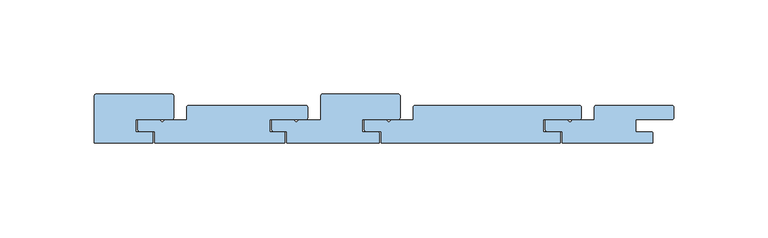
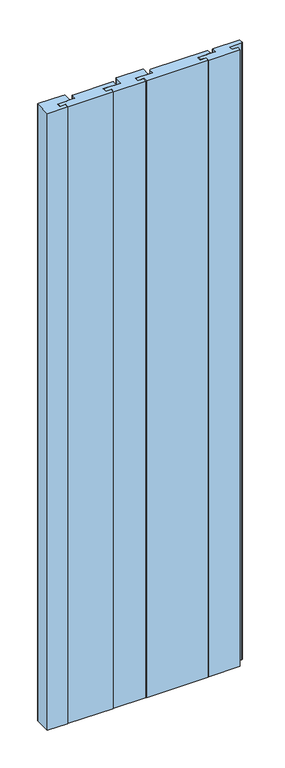
"""IFC4 building model written with IfcOpenShell, lengths in millimetres: window geometry."""

from ifc_helpers import new_model, si_unit, frame, origin, place, context, project, spatial, polyline, circle_curve, source, transform, mapped, element, save
from ifc_brep_helpers import plane_surface, cylinder_surface, revolved_surface, advanced_brep


def window_0822e667(model_context):
    return source(origin(), model_context, "Body", "AdvancedBrep", [
        advanced_brep(
        [(-338.0, 60.25, 100.0), (-339.0, 61.25, 100.0), (-339.0, 66.25, 100.0), (-327.7358303, 66.25, 100.0), (-326.8786704, 65.7465238, 100.0), (-325.1213296, 65.7465238, 100.0), (-324.2593234, 66.25, 100.0), (-313.0, 66.25, 100.0), (-313.0, 79.0000073, 100.0), (-311.9961892, 80.0, 100.0), (-272.0036459, 80.0, 100.0), (-271.0, 78.9818438, 100.0), (-271.0, 67.5, 100.0), (-272.0, 66.5, 100.0), (-291.0, 66.5, 100.0), (-291.0, 60.0, 100.0), (-283.0, 60.0, 100.0), (-282.0, 59.0, 100.0), (-282.0, 54.0, 100.0), (-331.0, 54.0, 100.0), (-331.0, 60.25, 100.0), (-338.0, 60.25, 1100.0), (-331.0, 60.25, 1100.0), (-331.0, 54.0, 1100.0), (-282.0, 54.0, 1100.0), (-282.0, 59.0, 1100.0), (-283.0, 60.0, 1100.0), (-291.0, 60.0, 1100.0), (-291.0, 66.5, 1100.0), (-272.0, 66.5, 1100.0), (-271.0, 67.5, 1100.0), (-271.0, 78.9818438, 1100.0), (-272.0036459, 80.0, 1100.0), (-311.9961892, 80.0, 1100.0), (-313.0, 79.0000073, 1100.0), (-313.0, 66.25, 1100.0), (-324.2593234, 66.25, 1100.0), (-325.1213296, 65.7465238, 1100.0), (-326.8786704, 65.7465238, 1100.0), (-327.7358303, 66.25, 1100.0), (-339.0, 66.25, 1100.0), (-339.0, 61.25, 1100.0)],
        [
            (0, 1, circle_curve(frame((-338.0, 61.25, 100.0), z_axis=(0.0, 0.0, -1.0), x_axis=(-1.0, 0.0, 0.0)), 1.0)),
            (1, 2),
            (2, 3),
            (3, 4, circle_curve(frame((-327.7467275, 65.2500594, 100.0), z_axis=(0.0, 0.0, -1.0), x_axis=(0.8680570812982431, 0.4964644031629814, 0.0)), 1.0)),
            (4, 5, circle_curve(frame((-326.0, 66.2239526, 100.0), z_axis=(0.0, 0.0, 1.0), x_axis=(0.878670405032909, -0.4774288630982668, 0.0)), 1.0)),
            (5, 6, circle_curve(frame((-324.2531214, 65.2497192, 100.0), z_axis=(0.0, 0.0, -1.0), x_axis=(-0.006200139387016843, 0.9999807789510665, 0.0)), 1.0003001)),
            (6, 7),
            (7, 8),
            (8, 9, circle_curve(frame((-312.0, 79.0000073, 100.0), z_axis=(0.0, 0.0, -1.0), x_axis=(0.0038108417907020734, 0.99999273871606, 0.0)), 1.0)),
            (9, 10),
            (10, 11, circle_curve(frame((-271.999835, 79.0000073, 100.0), z_axis=(0.0, 0.0, -1.0), x_axis=(0.9998350304118646, -0.018163478777638065, 0.0)), 1.0)),
            (11, 12),
            (12, 13, circle_curve(frame((-272.0, 67.5, 100.0), z_axis=(0.0, 0.0, -1.0), x_axis=(0.0, -1.0, 0.0)), 1.0)),
            (13, 14),
            (14, 15),
            (15, 16),
            (16, 17, circle_curve(frame((-283.0, 59.0, 100.0), z_axis=(0.0, 0.0, -1.0), x_axis=(1.0, 0.0, 0.0)), 1.0)),
            (17, 18),
            (18, 19),
            (19, 20),
            (20, 0),
            (21, 22),
            (22, 23),
            (23, 24),
            (24, 25),
            (25, 26, circle_curve(frame((-283.0, 59.0, 1100.0), z_axis=(0.0, 0.0, 1.0), x_axis=(1.0, 0.0, 0.0)), 1.0)),
            (26, 27),
            (27, 28),
            (28, 29),
            (29, 30, circle_curve(frame((-272.0, 67.5, 1100.0), z_axis=(0.0, 0.0, 1.0), x_axis=(0.0, -1.0, 0.0)), 1.0)),
            (30, 31),
            (31, 32, circle_curve(frame((-271.999835, 79.0000073, 1100.0), z_axis=(0.0, 0.0, 1.0), x_axis=(0.9998350304118646, -0.018163478777638065, 0.0)), 1.0)),
            (32, 33),
            (33, 34, circle_curve(frame((-312.0, 79.0000073, 1100.0), z_axis=(0.0, 0.0, 1.0), x_axis=(0.0038108417907020734, 0.99999273871606, 0.0)), 1.0)),
            (34, 35),
            (35, 36),
            (36, 37, circle_curve(frame((-324.2531214, 65.2497192, 1100.0), z_axis=(0.0, 0.0, 1.0), x_axis=(-0.006200139387016843, 0.9999807789510665, 0.0)), 1.0003001)),
            (37, 38, circle_curve(frame((-326.0, 66.2239526, 1100.0), z_axis=(0.0, 0.0, -1.0), x_axis=(0.878670405032909, -0.4774288630982668, 0.0)), 1.0)),
            (38, 39, circle_curve(frame((-327.7467275, 65.2500594, 1100.0), z_axis=(0.0, 0.0, 1.0), x_axis=(0.8680570812982431, 0.4964644031629814, 0.0)), 1.0)),
            (39, 40),
            (40, 41),
            (41, 21, circle_curve(frame((-338.0, 61.25, 1100.0), z_axis=(0.0, 0.0, 1.0), x_axis=(-1.0, 0.0, 0.0)), 1.0)),
            (0, 21),
            (41, 1),
            (40, 2),
            (39, 3),
            (38, 4),
            (37, 5),
            (36, 6),
            (35, 7),
            (34, 8),
            (33, 9),
            (32, 10),
            (31, 11),
            (30, 12),
            (29, 13),
            (28, 14),
            (27, 15),
            (26, 16),
            (25, 17),
            (24, 18),
            (23, 19),
            (22, 20),
        ],
        [
            plane_surface(frame((-434.0, 100.0, 100.0), z_axis=(0.0, 0.0, -1.0), x_axis=(1.0, 0.0, 0.0))),
            plane_surface(frame((-434.0, 100.0, 1100.0), z_axis=(0.0, 0.0, 1.0), x_axis=(1.0, 0.0, 0.0))),
            cylinder_surface(frame((-338.0, 61.25, 100.0), z_axis=(0.0, 0.0, -1.0), x_axis=(-1.0, 0.0, 0.0)), 1.0),
            plane_surface(frame((-339.0, 61.25, 100.0), z_axis=(-1.0, 0.0, 0.0), x_axis=(0.0, 0.0, 1.0))),
            plane_surface(frame((-339.0, 66.25, 100.0), z_axis=(0.0, 1.0, 0.0), x_axis=(0.0, 0.0, 1.0))),
            cylinder_surface(frame((-327.7467275, 65.2500594, 100.0), z_axis=(0.0, 0.0, -1.0), x_axis=(0.8680570812982431, 0.4964644031629814, 0.0)), 1.0),
            revolved_surface(polyline([(-325.1213295949671, 65.74652373690174, 1100.0000000000005), (-325.1213295949671, 65.74652373690174, 100.0)]), (-326.0, 66.2239526, 100.0), (0.0, 0.0, 1.0000000000000002)),
            cylinder_surface(frame((-324.2531214, 65.2497192, 100.0), z_axis=(0.0, 0.0, -1.0), x_axis=(-0.006200139387016843, 0.9999807789510665, 0.0)), 1.0003001),
            plane_surface(frame((-324.2593234, 66.25, 100.0), z_axis=(0.0, 1.0, 0.0), x_axis=(0.0, 0.0, 1.0))),
            plane_surface(frame((-313.0, 66.25, 100.0), z_axis=(-1.0, 0.0, 0.0), x_axis=(0.0, 0.0, 1.0))),
            cylinder_surface(frame((-312.0, 79.0000073, 100.0), z_axis=(0.0, 0.0, -1.0), x_axis=(0.0038108417907020734, 0.99999273871606, 0.0)), 1.0),
            plane_surface(frame((-311.9961892, 80.0, 100.0), z_axis=(0.0, 1.0, 0.0), x_axis=(0.0, 0.0, 1.0))),
            cylinder_surface(frame((-271.999835, 79.0000073, 100.0), z_axis=(0.0, 0.0, -1.0), x_axis=(0.9998350304118646, -0.018163478777638065, 0.0)), 1.0),
            plane_surface(frame((-271.0, 78.9818438, 100.0), z_axis=(1.0, 0.0, 0.0), x_axis=(0.0, 0.0, 1.0))),
            cylinder_surface(frame((-272.0, 67.5, 100.0), z_axis=(0.0, 0.0, -1.0), x_axis=(0.0, -1.0, 0.0)), 1.0),
            plane_surface(frame((-272.0, 66.5, 100.0), z_axis=(0.0, -1.0, 0.0), x_axis=(0.0, 0.0, 1.0))),
            plane_surface(frame((-291.0, 66.5, 100.0), z_axis=(1.0, 0.0, 0.0), x_axis=(0.0, 0.0, 1.0))),
            plane_surface(frame((-291.0, 60.0, 100.0), z_axis=(0.0, 1.0, 0.0), x_axis=(0.0, 0.0, 1.0))),
            cylinder_surface(frame((-283.0, 59.0, 100.0), z_axis=(0.0, 0.0, -1.0), x_axis=(1.0, 0.0, 0.0)), 1.0),
            plane_surface(frame((-282.0, 59.0, 100.0), z_axis=(1.0, 0.0, 0.0), x_axis=(0.0, 0.0, 1.0))),
            plane_surface(frame((-282.0, 54.0, 100.0), z_axis=(0.0, -1.0, 0.0), x_axis=(0.0, 0.0, 1.0))),
            plane_surface(frame((-331.0, 54.0, 100.0), z_axis=(-1.0, 0.0, 0.0), x_axis=(0.0, 0.0, 1.0))),
            plane_surface(frame((-331.0, 60.25, 100.0), z_axis=(0.0, -1.0, 0.0), x_axis=(0.0, 0.0, 1.0))),
        ],
        [
            (0, [[1, 2, 3, 4, 5, 6, 7, 8, 9, 10, 11, 12, 13, 14, 15, 16, 17, 18, 19, 20, 21]]),
            (1, [[22, 23, 24, 25, 26, 27, 28, 29, 30, 31, 32, 33, 34, 35, 36, 37, 38, 39, 40, 41, 42]]),
            (2, [[-1, 43, -42, 44]]),
            (3, [[-2, -44, -41, 45]]),
            (4, [[-3, -45, -40, 46]]),
            (5, [[-4, -46, -39, 47]]),
            (6, [[-5, -47, -38, 48]]),
            (7, [[-6, -48, -37, 49]]),
            (8, [[-7, -49, -36, 50]]),
            (9, [[-8, -50, -35, 51]]),
            (10, [[-9, -51, -34, 52]]),
            (11, [[-10, -52, -33, 53]]),
            (12, [[-11, -53, -32, 54]]),
            (13, [[-12, -54, -31, 55]]),
            (14, [[-13, -55, -30, 56]]),
            (15, [[-14, -56, -29, 57]]),
            (16, [[-15, -57, -28, 58]]),
            (17, [[-16, -58, -27, 59]]),
            (18, [[-17, -59, -26, 60]]),
            (19, [[-18, -60, -25, 61]]),
            (20, [[-19, -61, -24, 62]]),
            (21, [[-20, -62, -23, 63]]),
            (22, [[-21, -63, -22, -43]]),
        ],
    ),
        advanced_brep(
        [(-289.0, 60.25, 100.0), (-290.0, 61.25, 100.0), (-290.0, 66.25, 100.0), (-278.7358303, 66.25, 100.0), (-277.8786704, 65.7465238, 100.0), (-276.1213296, 65.7465238, 100.0), (-275.2593234, 66.25, 100.0), (-264.0, 66.25, 100.0), (-264.0, 73.0000073, 100.0), (-262.9961892, 74.0, 100.0), (-176.0036459, 74.0, 100.0), (-175.0, 72.9818438, 100.0), (-175.0, 67.5, 100.0), (-176.0, 66.5, 100.0), (-195.0, 66.5, 100.0), (-195.0, 60.0, 100.0), (-187.0, 60.0, 100.0), (-186.0, 59.0, 100.0), (-186.0, 54.0, 100.0), (-281.0, 54.0, 100.0), (-281.0, 60.25, 100.0), (-289.0, 60.25, 1100.0), (-281.0, 60.25, 1100.0), (-281.0, 54.0, 1100.0), (-186.0, 54.0, 1100.0), (-186.0, 59.0, 1100.0), (-187.0, 60.0, 1100.0), (-195.0, 60.0, 1100.0), (-195.0, 66.5, 1100.0), (-176.0, 66.5, 1100.0), (-175.0, 67.5, 1100.0), (-175.0, 72.9818438, 1100.0), (-176.0036459, 74.0, 1100.0), (-262.9961892, 74.0, 1100.0), (-264.0, 73.0000073, 1100.0), (-264.0, 66.25, 1100.0), (-275.2593234, 66.25, 1100.0), (-276.1213296, 65.7465238, 1100.0), (-277.8786704, 65.7465238, 1100.0), (-278.7358303, 66.25, 1100.0), (-290.0, 66.25, 1100.0), (-290.0, 61.25, 1100.0)],
        [
            (0, 1, circle_curve(frame((-289.0, 61.25, 100.0), z_axis=(0.0, 0.0, -1.0), x_axis=(-1.0, 0.0, 0.0)), 1.0)),
            (1, 2),
            (2, 3),
            (3, 4, circle_curve(frame((-278.7467275, 65.2500594, 100.0), z_axis=(0.0, 0.0, -1.0), x_axis=(0.8680570812982431, 0.4964644031629814, 0.0)), 1.0)),
            (4, 5, circle_curve(frame((-277.0, 66.2239526, 100.0), z_axis=(0.0, 0.0, 1.0), x_axis=(0.878670405032909, -0.4774288630982668, 0.0)), 1.0)),
            (5, 6, circle_curve(frame((-275.2531214, 65.2497192, 100.0), z_axis=(0.0, 0.0, -1.0), x_axis=(-0.006200139387016843, 0.9999807789510665, 0.0)), 1.0003001)),
            (6, 7),
            (7, 8),
            (8, 9, circle_curve(frame((-263.0, 73.0000073, 100.0), z_axis=(0.0, 0.0, -1.0), x_axis=(0.0038108417907020734, 0.99999273871606, 0.0)), 1.0)),
            (9, 10),
            (10, 11, circle_curve(frame((-175.999835, 73.0000073, 100.0), z_axis=(0.0, 0.0, -1.0), x_axis=(0.9998350304118646, -0.018163478777638065, 0.0)), 1.0)),
            (11, 12),
            (12, 13, circle_curve(frame((-176.0, 67.5, 100.0), z_axis=(0.0, 0.0, -1.0), x_axis=(0.0, -1.0, 0.0)), 1.0)),
            (13, 14),
            (14, 15),
            (15, 16),
            (16, 17, circle_curve(frame((-187.0, 59.0, 100.0), z_axis=(0.0, 0.0, -1.0), x_axis=(1.0, 0.0, 0.0)), 1.0)),
            (17, 18),
            (18, 19),
            (19, 20),
            (20, 0),
            (21, 22),
            (22, 23),
            (23, 24),
            (24, 25),
            (25, 26, circle_curve(frame((-187.0, 59.0, 1100.0), z_axis=(0.0, 0.0, 1.0), x_axis=(1.0, 0.0, 0.0)), 1.0)),
            (26, 27),
            (27, 28),
            (28, 29),
            (29, 30, circle_curve(frame((-176.0, 67.5, 1100.0), z_axis=(0.0, 0.0, 1.0), x_axis=(0.0, -1.0, 0.0)), 1.0)),
            (30, 31),
            (31, 32, circle_curve(frame((-175.999835, 73.0000073, 1100.0), z_axis=(0.0, 0.0, 1.0), x_axis=(0.9998350304118646, -0.018163478777638065, 0.0)), 1.0)),
            (32, 33),
            (33, 34, circle_curve(frame((-263.0, 73.0000073, 1100.0), z_axis=(0.0, 0.0, 1.0), x_axis=(0.0038108417907020734, 0.99999273871606, 0.0)), 1.0)),
            (34, 35),
            (35, 36),
            (36, 37, circle_curve(frame((-275.2531214, 65.2497192, 1100.0), z_axis=(0.0, 0.0, 1.0), x_axis=(-0.006200139387016843, 0.9999807789510665, 0.0)), 1.0003001)),
            (37, 38, circle_curve(frame((-277.0, 66.2239526, 1100.0), z_axis=(0.0, 0.0, -1.0), x_axis=(0.878670405032909, -0.4774288630982668, 0.0)), 1.0)),
            (38, 39, circle_curve(frame((-278.7467275, 65.2500594, 1100.0), z_axis=(0.0, 0.0, 1.0), x_axis=(0.8680570812982431, 0.4964644031629814, 0.0)), 1.0)),
            (39, 40),
            (40, 41),
            (41, 21, circle_curve(frame((-289.0, 61.25, 1100.0), z_axis=(0.0, 0.0, 1.0), x_axis=(-1.0, 0.0, 0.0)), 1.0)),
            (0, 21),
            (41, 1),
            (40, 2),
            (39, 3),
            (38, 4),
            (37, 5),
            (36, 6),
            (35, 7),
            (34, 8),
            (33, 9),
            (32, 10),
            (31, 11),
            (30, 12),
            (29, 13),
            (28, 14),
            (27, 15),
            (26, 16),
            (25, 17),
            (24, 18),
            (23, 19),
            (22, 20),
        ],
        [
            plane_surface(frame((-434.0, 100.0, 100.0), z_axis=(0.0, 0.0, -1.0), x_axis=(1.0, 0.0, 0.0))),
            plane_surface(frame((-434.0, 100.0, 1100.0), z_axis=(0.0, 0.0, 1.0), x_axis=(1.0, 0.0, 0.0))),
            cylinder_surface(frame((-289.0, 61.25, 100.0), z_axis=(0.0, 0.0, -1.0), x_axis=(-1.0, 0.0, 0.0)), 1.0),
            plane_surface(frame((-290.0, 61.25, 100.0), z_axis=(-1.0, 0.0, 0.0), x_axis=(0.0, 0.0, 1.0))),
            plane_surface(frame((-290.0, 66.25, 100.0), z_axis=(0.0, 1.0, 0.0), x_axis=(0.0, 0.0, 1.0))),
            cylinder_surface(frame((-278.7467275, 65.2500594, 100.0), z_axis=(0.0, 0.0, -1.0), x_axis=(0.8680570812982431, 0.4964644031629814, 0.0)), 1.0),
            revolved_surface(polyline([(-276.1213295949671, 65.74652373690174, 1100.0000000000005), (-276.1213295949671, 65.74652373690174, 100.0)]), (-277.0, 66.2239526, 100.0), (0.0, 0.0, 1.0000000000000002)),
            cylinder_surface(frame((-275.2531214, 65.2497192, 100.0), z_axis=(0.0, 0.0, -1.0), x_axis=(-0.006200139387016843, 0.9999807789510665, 0.0)), 1.0003001),
            plane_surface(frame((-275.2593234, 66.25, 100.0), z_axis=(0.0, 1.0, 0.0), x_axis=(0.0, 0.0, 1.0))),
            plane_surface(frame((-264.0, 66.25, 100.0), z_axis=(-1.0, 0.0, 0.0), x_axis=(0.0, 0.0, 1.0))),
            cylinder_surface(frame((-263.0, 73.0000073, 100.0), z_axis=(0.0, 0.0, -1.0), x_axis=(0.0038108417907020734, 0.99999273871606, 0.0)), 1.0),
            plane_surface(frame((-262.9961892, 74.0, 100.0), z_axis=(0.0, 1.0, 0.0), x_axis=(0.0, 0.0, 1.0))),
            cylinder_surface(frame((-175.999835, 73.0000073, 100.0), z_axis=(0.0, 0.0, -1.0), x_axis=(0.9998350304118646, -0.018163478777638065, 0.0)), 1.0),
            plane_surface(frame((-175.0, 72.9818438, 100.0), z_axis=(1.0, 0.0, 0.0), x_axis=(0.0, 0.0, 1.0))),
            cylinder_surface(frame((-176.0, 67.5, 100.0), z_axis=(0.0, 0.0, -1.0), x_axis=(0.0, -1.0, 0.0)), 1.0),
            plane_surface(frame((-176.0, 66.5, 100.0), z_axis=(0.0, -1.0, 0.0), x_axis=(0.0, 0.0, 1.0))),
            plane_surface(frame((-195.0, 66.5, 100.0), z_axis=(1.0, 0.0, 0.0), x_axis=(0.0, 0.0, 1.0))),
            plane_surface(frame((-195.0, 60.0, 100.0), z_axis=(0.0, 1.0, 0.0), x_axis=(0.0, 0.0, 1.0))),
            cylinder_surface(frame((-187.0, 59.0, 100.0), z_axis=(0.0, 0.0, -1.0), x_axis=(1.0, 0.0, 0.0)), 1.0),
            plane_surface(frame((-186.0, 59.0, 100.0), z_axis=(1.0, 0.0, 0.0), x_axis=(0.0, 0.0, 1.0))),
            plane_surface(frame((-186.0, 54.0, 100.0), z_axis=(0.0, -1.0, 0.0), x_axis=(0.0, 0.0, 1.0))),
            plane_surface(frame((-281.0, 54.0, 100.0), z_axis=(-1.0, 0.0, 0.0), x_axis=(0.0, 0.0, 1.0))),
            plane_surface(frame((-281.0, 60.25, 100.0), z_axis=(0.0, -1.0, 0.0), x_axis=(0.0, 0.0, 1.0))),
        ],
        [
            (0, [[1, 2, 3, 4, 5, 6, 7, 8, 9, 10, 11, 12, 13, 14, 15, 16, 17, 18, 19, 20, 21]]),
            (1, [[22, 23, 24, 25, 26, 27, 28, 29, 30, 31, 32, 33, 34, 35, 36, 37, 38, 39, 40, 41, 42]]),
            (2, [[-1, 43, -42, 44]]),
            (3, [[-2, -44, -41, 45]]),
            (4, [[-3, -45, -40, 46]]),
            (5, [[-4, -46, -39, 47]]),
            (6, [[-5, -47, -38, 48]]),
            (7, [[-6, -48, -37, 49]]),
            (8, [[-7, -49, -36, 50]]),
            (9, [[-8, -50, -35, 51]]),
            (10, [[-9, -51, -34, 52]]),
            (11, [[-10, -52, -33, 53]]),
            (12, [[-11, -53, -32, 54]]),
            (13, [[-12, -54, -31, 55]]),
            (14, [[-13, -55, -30, 56]]),
            (15, [[-14, -56, -29, 57]]),
            (16, [[-15, -57, -28, 58]]),
            (17, [[-16, -58, -27, 59]]),
            (18, [[-17, -59, -26, 60]]),
            (19, [[-18, -60, -25, 61]]),
            (20, [[-19, -61, -24, 62]]),
            (21, [[-20, -62, -23, 63]]),
            (22, [[-21, -63, -22, -43]]),
        ],
    ),
        advanced_brep(
        [(-193.0, 60.25, 100.0), (-194.0, 61.25, 100.0), (-194.0, 66.25, 100.0), (-182.7358303, 66.25, 100.0), (-181.8786704, 65.7465238, 100.0), (-180.1213296, 65.7465238, 100.0), (-179.2593234, 66.25, 100.0), (-168.0, 66.25, 100.0), (-168.0, 73.0000073, 100.0), (-166.9961892, 74.0, 100.0), (-127.0036459, 74.0, 100.0), (-126.0, 72.9818438, 100.0), (-126.0, 67.5, 100.0), (-127.0, 66.5, 100.0), (-146.0, 66.5, 100.0), (-146.0, 60.0, 100.0), (-138.0, 60.0, 100.0), (-137.0, 59.0, 100.0), (-137.0, 54.0, 100.0), (-185.0, 54.0, 100.0), (-185.0, 60.25, 100.0), (-193.0, 60.25, 1100.0), (-185.0, 60.25, 1100.0), (-185.0, 54.0, 1100.0), (-137.0, 54.0, 1100.0), (-137.0, 59.0, 1100.0), (-138.0, 60.0, 1100.0), (-146.0, 60.0, 1100.0), (-146.0, 66.5, 1100.0), (-127.0, 66.5, 1100.0), (-126.0, 67.5, 1100.0), (-126.0, 72.9818438, 1100.0), (-127.0036459, 74.0, 1100.0), (-166.9961892, 74.0, 1100.0), (-168.0, 73.0000073, 1100.0), (-168.0, 66.25, 1100.0), (-179.2593234, 66.25, 1100.0), (-180.1213296, 65.7465238, 1100.0), (-181.8786704, 65.7465238, 1100.0), (-182.7358303, 66.25, 1100.0), (-194.0, 66.25, 1100.0), (-194.0, 61.25, 1100.0)],
        [
            (0, 1, circle_curve(frame((-193.0, 61.25, 100.0), z_axis=(0.0, 0.0, -1.0), x_axis=(-1.0, 0.0, 0.0)), 1.0)),
            (1, 2),
            (2, 3),
            (3, 4, circle_curve(frame((-182.7467275, 65.2500594, 100.0), z_axis=(0.0, 0.0, -1.0), x_axis=(0.8680570812982431, 0.4964644031629814, 0.0)), 1.0)),
            (4, 5, circle_curve(frame((-181.0, 66.2239526, 100.0), z_axis=(0.0, 0.0, 1.0), x_axis=(0.878670405032909, -0.4774288630982668, 0.0)), 1.0)),
            (5, 6, circle_curve(frame((-179.2531214, 65.2497192, 100.0), z_axis=(0.0, 0.0, -1.0), x_axis=(-0.006200139387016843, 0.9999807789510665, 0.0)), 1.0003001)),
            (6, 7),
            (7, 8),
            (8, 9, circle_curve(frame((-167.0, 73.0000073, 100.0), z_axis=(0.0, 0.0, -1.0), x_axis=(0.0038108417907020734, 0.99999273871606, 0.0)), 1.0)),
            (9, 10),
            (10, 11, circle_curve(frame((-126.999835, 73.0000073, 100.0), z_axis=(0.0, 0.0, -1.0), x_axis=(0.9998350304118646, -0.018163478777638065, 0.0)), 1.0)),
            (11, 12),
            (12, 13, circle_curve(frame((-127.0, 67.5, 100.0), z_axis=(0.0, 0.0, -1.0), x_axis=(0.0, -1.0, 0.0)), 1.0)),
            (13, 14),
            (14, 15),
            (15, 16),
            (16, 17, circle_curve(frame((-138.0, 59.0, 100.0), z_axis=(0.0, 0.0, -1.0), x_axis=(1.0, 0.0, 0.0)), 1.0)),
            (17, 18),
            (18, 19),
            (19, 20),
            (20, 0),
            (21, 22),
            (22, 23),
            (23, 24),
            (24, 25),
            (25, 26, circle_curve(frame((-138.0, 59.0, 1100.0), z_axis=(0.0, 0.0, 1.0), x_axis=(1.0, 0.0, 0.0)), 1.0)),
            (26, 27),
            (27, 28),
            (28, 29),
            (29, 30, circle_curve(frame((-127.0, 67.5, 1100.0), z_axis=(0.0, 0.0, 1.0), x_axis=(0.0, -1.0, 0.0)), 1.0)),
            (30, 31),
            (31, 32, circle_curve(frame((-126.999835, 73.0000073, 1100.0), z_axis=(0.0, 0.0, 1.0), x_axis=(0.9998350304118646, -0.018163478777638065, 0.0)), 1.0)),
            (32, 33),
            (33, 34, circle_curve(frame((-167.0, 73.0000073, 1100.0), z_axis=(0.0, 0.0, 1.0), x_axis=(0.0038108417907020734, 0.99999273871606, 0.0)), 1.0)),
            (34, 35),
            (35, 36),
            (36, 37, circle_curve(frame((-179.2531214, 65.2497192, 1100.0), z_axis=(0.0, 0.0, 1.0), x_axis=(-0.006200139387016843, 0.9999807789510665, 0.0)), 1.0003001)),
            (37, 38, circle_curve(frame((-181.0, 66.2239526, 1100.0), z_axis=(0.0, 0.0, -1.0), x_axis=(0.878670405032909, -0.4774288630982668, 0.0)), 1.0)),
            (38, 39, circle_curve(frame((-182.7467275, 65.2500594, 1100.0), z_axis=(0.0, 0.0, 1.0), x_axis=(0.8680570812982431, 0.4964644031629814, 0.0)), 1.0)),
            (39, 40),
            (40, 41),
            (41, 21, circle_curve(frame((-193.0, 61.25, 1100.0), z_axis=(0.0, 0.0, 1.0), x_axis=(-1.0, 0.0, 0.0)), 1.0)),
            (0, 21),
            (41, 1),
            (40, 2),
            (39, 3),
            (38, 4),
            (37, 5),
            (36, 6),
            (35, 7),
            (34, 8),
            (33, 9),
            (32, 10),
            (31, 11),
            (30, 12),
            (29, 13),
            (28, 14),
            (27, 15),
            (26, 16),
            (25, 17),
            (24, 18),
            (23, 19),
            (22, 20),
        ],
        [
            plane_surface(frame((-434.0, 100.0, 100.0), z_axis=(0.0, 0.0, -1.0), x_axis=(1.0, 0.0, 0.0))),
            plane_surface(frame((-434.0, 100.0, 1100.0), z_axis=(0.0, 0.0, 1.0), x_axis=(1.0, 0.0, 0.0))),
            cylinder_surface(frame((-193.0, 61.25, 100.0), z_axis=(0.0, 0.0, -1.0), x_axis=(-1.0, 0.0, 0.0)), 1.0),
            plane_surface(frame((-194.0, 61.25, 100.0), z_axis=(-1.0, 0.0, 0.0), x_axis=(0.0, 0.0, 1.0))),
            plane_surface(frame((-194.0, 66.25, 100.0), z_axis=(0.0, 1.0, 0.0), x_axis=(0.0, 0.0, 1.0))),
            cylinder_surface(frame((-182.7467275, 65.2500594, 100.0), z_axis=(0.0, 0.0, -1.0), x_axis=(0.8680570812982431, 0.4964644031629814, 0.0)), 1.0),
            revolved_surface(polyline([(-180.12132959496708, 65.74652373690174, 1100.0000000000005), (-180.12132959496708, 65.74652373690174, 100.0)]), (-181.0, 66.2239526, 100.0), (0.0, 0.0, 1.0000000000000002)),
            cylinder_surface(frame((-179.2531214, 65.2497192, 100.0), z_axis=(0.0, 0.0, -1.0), x_axis=(-0.006200139387016843, 0.9999807789510665, 0.0)), 1.0003001),
            plane_surface(frame((-179.2593234, 66.25, 100.0), z_axis=(0.0, 1.0, 0.0), x_axis=(0.0, 0.0, 1.0))),
            plane_surface(frame((-168.0, 66.25, 100.0), z_axis=(-1.0, 0.0, 0.0), x_axis=(0.0, 0.0, 1.0))),
            cylinder_surface(frame((-167.0, 73.0000073, 100.0), z_axis=(0.0, 0.0, -1.0), x_axis=(0.0038108417907020734, 0.99999273871606, 0.0)), 1.0),
            plane_surface(frame((-166.9961892, 74.0, 100.0), z_axis=(0.0, 1.0, 0.0), x_axis=(0.0, 0.0, 1.0))),
            cylinder_surface(frame((-126.999835, 73.0000073, 100.0), z_axis=(0.0, 0.0, -1.0), x_axis=(0.9998350304118646, -0.018163478777638065, 0.0)), 1.0),
            plane_surface(frame((-126.0, 72.9818438, 100.0), z_axis=(1.0, 0.0, 0.0), x_axis=(0.0, 0.0, 1.0))),
            cylinder_surface(frame((-127.0, 67.5, 100.0), z_axis=(0.0, 0.0, -1.0), x_axis=(0.0, -1.0, 0.0)), 1.0),
            plane_surface(frame((-127.0, 66.5, 100.0), z_axis=(0.0, -1.0, 0.0), x_axis=(0.0, 0.0, 1.0))),
            plane_surface(frame((-146.0, 66.5, 100.0), z_axis=(1.0, 0.0, 0.0), x_axis=(0.0, 0.0, 1.0))),
            plane_surface(frame((-146.0, 60.0, 100.0), z_axis=(0.0, 1.0, 0.0), x_axis=(0.0, 0.0, 1.0))),
            cylinder_surface(frame((-138.0, 59.0, 100.0), z_axis=(0.0, 0.0, -1.0), x_axis=(1.0, 0.0, 0.0)), 1.0),
            plane_surface(frame((-137.0, 59.0, 100.0), z_axis=(1.0, 0.0, 0.0), x_axis=(0.0, 0.0, 1.0))),
            plane_surface(frame((-137.0, 54.0, 100.0), z_axis=(0.0, -1.0, 0.0), x_axis=(0.0, 0.0, 1.0))),
            plane_surface(frame((-185.0, 54.0, 100.0), z_axis=(-1.0, 0.0, 0.0), x_axis=(0.0, 0.0, 1.0))),
            plane_surface(frame((-185.0, 60.25, 100.0), z_axis=(0.0, -1.0, 0.0), x_axis=(0.0, 0.0, 1.0))),
        ],
        [
            (0, [[1, 2, 3, 4, 5, 6, 7, 8, 9, 10, 11, 12, 13, 14, 15, 16, 17, 18, 19, 20, 21]]),
            (1, [[22, 23, 24, 25, 26, 27, 28, 29, 30, 31, 32, 33, 34, 35, 36, 37, 38, 39, 40, 41, 42]]),
            (2, [[-1, 43, -42, 44]]),
            (3, [[-2, -44, -41, 45]]),
            (4, [[-3, -45, -40, 46]]),
            (5, [[-4, -46, -39, 47]]),
            (6, [[-5, -47, -38, 48]]),
            (7, [[-6, -48, -37, 49]]),
            (8, [[-7, -49, -36, 50]]),
            (9, [[-8, -50, -35, 51]]),
            (10, [[-9, -51, -34, 52]]),
            (11, [[-10, -52, -33, 53]]),
            (12, [[-11, -53, -32, 54]]),
            (13, [[-12, -54, -31, 55]]),
            (14, [[-13, -55, -30, 56]]),
            (15, [[-14, -56, -29, 57]]),
            (16, [[-15, -57, -28, 58]]),
            (17, [[-16, -58, -27, 59]]),
            (18, [[-17, -59, -26, 60]]),
            (19, [[-18, -60, -25, 61]]),
            (20, [[-19, -61, -24, 62]]),
            (21, [[-20, -62, -23, 63]]),
            (22, [[-21, -63, -22, -43]]),
        ],
    ),
        advanced_brep(
        [(-409.0, 60.25, 100.0), (-410.0, 61.25, 100.0), (-410.0, 66.25, 100.0), (-398.7358303, 66.25, 100.0), (-397.8786704, 65.7465238, 100.0), (-396.1213296, 65.7465238, 100.0), (-395.2593234, 66.25, 100.0), (-384.0, 66.25, 100.0), (-384.0, 73.0000073, 100.0), (-382.9961892, 74.0, 100.0), (-321.0036459, 74.0, 100.0), (-320.0, 72.9818438, 100.0), (-320.0, 67.5, 100.0), (-321.0, 66.5, 100.0), (-340.0, 66.5, 100.0), (-340.0, 60.0, 100.0), (-333.0, 60.0, 100.0), (-332.0, 59.0, 100.0), (-332.0, 54.0, 100.0), (-401.0, 54.0, 100.0), (-401.0, 60.25, 100.0), (-409.0, 60.25, 1100.0), (-401.0, 60.25, 1100.0), (-401.0, 54.0, 1100.0), (-332.0, 54.0, 1100.0), (-332.0, 59.0, 1100.0), (-333.0, 60.0, 1100.0), (-340.0, 60.0, 1100.0), (-340.0, 66.5, 1100.0), (-321.0, 66.5, 1100.0), (-320.0, 67.5, 1100.0), (-320.0, 72.9818438, 1100.0), (-321.0036459, 74.0, 1100.0), (-382.9961892, 74.0, 1100.0), (-384.0, 73.0000073, 1100.0), (-384.0, 66.25, 1100.0), (-395.2593234, 66.25, 1100.0), (-396.1213296, 65.7465238, 1100.0), (-397.8786704, 65.7465238, 1100.0), (-398.7358303, 66.25, 1100.0), (-410.0, 66.25, 1100.0), (-410.0, 61.25, 1100.0)],
        [
            (0, 1, circle_curve(frame((-409.0, 61.25, 100.0), z_axis=(0.0, 0.0, -1.0), x_axis=(-1.0, 0.0, 0.0)), 1.0)),
            (1, 2),
            (2, 3),
            (3, 4, circle_curve(frame((-398.7467275, 65.2500594, 100.0), z_axis=(0.0, 0.0, -1.0), x_axis=(0.8680570812982431, 0.4964644031629814, 0.0)), 1.0)),
            (4, 5, circle_curve(frame((-397.0, 66.2239526, 100.0), z_axis=(0.0, 0.0, 1.0), x_axis=(0.878670405032909, -0.4774288630982668, 0.0)), 1.0)),
            (5, 6, circle_curve(frame((-395.2531214, 65.2497192, 100.0), z_axis=(0.0, 0.0, -1.0), x_axis=(-0.006200139387016843, 0.9999807789510665, 0.0)), 1.0003001)),
            (6, 7),
            (7, 8),
            (8, 9, circle_curve(frame((-383.0, 73.0000073, 100.0), z_axis=(0.0, 0.0, -1.0), x_axis=(0.0038108417907020734, 0.99999273871606, 0.0)), 1.0)),
            (9, 10),
            (10, 11, circle_curve(frame((-320.999835, 73.0000073, 100.0), z_axis=(0.0, 0.0, -1.0), x_axis=(0.9998350304118646, -0.018163478777638065, 0.0)), 1.0)),
            (11, 12),
            (12, 13, circle_curve(frame((-321.0, 67.5, 100.0), z_axis=(0.0, 0.0, -1.0), x_axis=(0.0, -1.0, 0.0)), 1.0)),
            (13, 14),
            (14, 15),
            (15, 16),
            (16, 17, circle_curve(frame((-333.0, 59.0, 100.0), z_axis=(0.0, 0.0, -1.0), x_axis=(1.0, 0.0, 0.0)), 1.0)),
            (17, 18),
            (18, 19),
            (19, 20),
            (20, 0),
            (21, 22),
            (22, 23),
            (23, 24),
            (24, 25),
            (25, 26, circle_curve(frame((-333.0, 59.0, 1100.0), z_axis=(0.0, 0.0, 1.0), x_axis=(1.0, 0.0, 0.0)), 1.0)),
            (26, 27),
            (27, 28),
            (28, 29),
            (29, 30, circle_curve(frame((-321.0, 67.5, 1100.0), z_axis=(0.0, 0.0, 1.0), x_axis=(0.0, -1.0, 0.0)), 1.0)),
            (30, 31),
            (31, 32, circle_curve(frame((-320.999835, 73.0000073, 1100.0), z_axis=(0.0, 0.0, 1.0), x_axis=(0.9998350304118646, -0.018163478777638065, 0.0)), 1.0)),
            (32, 33),
            (33, 34, circle_curve(frame((-383.0, 73.0000073, 1100.0), z_axis=(0.0, 0.0, 1.0), x_axis=(0.0038108417907020734, 0.99999273871606, 0.0)), 1.0)),
            (34, 35),
            (35, 36),
            (36, 37, circle_curve(frame((-395.2531214, 65.2497192, 1100.0), z_axis=(0.0, 0.0, 1.0), x_axis=(-0.006200139387016843, 0.9999807789510665, 0.0)), 1.0003001)),
            (37, 38, circle_curve(frame((-397.0, 66.2239526, 1100.0), z_axis=(0.0, 0.0, -1.0), x_axis=(0.878670405032909, -0.4774288630982668, 0.0)), 1.0)),
            (38, 39, circle_curve(frame((-398.7467275, 65.2500594, 1100.0), z_axis=(0.0, 0.0, 1.0), x_axis=(0.8680570812982431, 0.4964644031629814, 0.0)), 1.0)),
            (39, 40),
            (40, 41),
            (41, 21, circle_curve(frame((-409.0, 61.25, 1100.0), z_axis=(0.0, 0.0, 1.0), x_axis=(-1.0, 0.0, 0.0)), 1.0)),
            (6, 36),
            (35, 7),
            (34, 8),
            (33, 9),
            (32, 10),
            (31, 11),
            (30, 12),
            (29, 13),
            (28, 14),
            (27, 15),
            (26, 16),
            (25, 17),
            (24, 18),
            (23, 19),
            (0, 21),
            (41, 1),
            (40, 2),
            (39, 3),
            (38, 4),
            (37, 5),
            (22, 20),
        ],
        [
            plane_surface(frame((-434.0, 100.0, 100.0), z_axis=(0.0, 0.0, -1.0), x_axis=(1.0, 0.0, 0.0))),
            plane_surface(frame((-434.0, 100.0, 1100.0), z_axis=(0.0, 0.0, 1.0), x_axis=(1.0, 0.0, 0.0))),
            plane_surface(frame((-395.2593234, 66.25, 100.0), z_axis=(0.0, 1.0, 0.0), x_axis=(0.0, 0.0, 1.0))),
            plane_surface(frame((-384.0, 66.25, 100.0), z_axis=(-1.0, 0.0, 0.0), x_axis=(0.0, 0.0, 1.0))),
            cylinder_surface(frame((-383.0, 73.0000073, 100.0), z_axis=(0.0, 0.0, -1.0), x_axis=(0.0038108417907020734, 0.99999273871606, 0.0)), 1.0),
            plane_surface(frame((-382.9961892, 74.0, 100.0), z_axis=(0.0, 1.0, 0.0), x_axis=(0.0, 0.0, 1.0))),
            cylinder_surface(frame((-320.999835, 73.0000073, 100.0), z_axis=(0.0, 0.0, -1.0), x_axis=(0.9998350304118646, -0.018163478777638065, 0.0)), 1.0),
            plane_surface(frame((-320.0, 72.9818438, 100.0), z_axis=(1.0, 0.0, 0.0), x_axis=(0.0, 0.0, 1.0))),
            cylinder_surface(frame((-321.0, 67.5, 100.0), z_axis=(0.0, 0.0, -1.0), x_axis=(0.0, -1.0, 0.0)), 1.0),
            plane_surface(frame((-321.0, 66.5, 100.0), z_axis=(0.0, -1.0, 0.0), x_axis=(0.0, 0.0, 1.0))),
            plane_surface(frame((-340.0, 66.5, 100.0), z_axis=(1.0, 0.0, 0.0), x_axis=(0.0, 0.0, 1.0))),
            plane_surface(frame((-340.0, 60.0, 100.0), z_axis=(0.0, 1.0, 0.0), x_axis=(0.0, 0.0, 1.0))),
            cylinder_surface(frame((-333.0, 59.0, 100.0), z_axis=(0.0, 0.0, -1.0), x_axis=(1.0, 0.0, 0.0)), 1.0),
            plane_surface(frame((-332.0, 59.0, 100.0), z_axis=(1.0, 0.0, 0.0), x_axis=(0.0, 0.0, 1.0))),
            plane_surface(frame((-332.0, 54.0, 100.0), z_axis=(0.0, -1.0, 0.0), x_axis=(0.0, 0.0, 1.0))),
            cylinder_surface(frame((-409.0, 61.25, 100.0), z_axis=(0.0, 0.0, -1.0), x_axis=(-1.0, 0.0, 0.0)), 1.0),
            plane_surface(frame((-410.0, 61.25, 100.0), z_axis=(-1.0, 0.0, 0.0), x_axis=(0.0, 0.0, 1.0))),
            plane_surface(frame((-410.0, 66.25, 100.0), z_axis=(0.0, 1.0, 0.0), x_axis=(0.0, 0.0, 1.0))),
            cylinder_surface(frame((-398.7467275, 65.2500594, 100.0), z_axis=(0.0, 0.0, -1.0), x_axis=(0.8680570812982431, 0.4964644031629814, 0.0)), 1.0),
            revolved_surface(polyline([(-396.1213295949671, 65.74652373690174, 1100.0000000000005), (-396.1213295949671, 65.74652373690174, 100.0)]), (-397.0, 66.2239526, 100.0), (0.0, 0.0, 1.0000000000000002)),
            cylinder_surface(frame((-395.2531214, 65.2497192, 100.0), z_axis=(0.0, 0.0, -1.0), x_axis=(-0.006200139387016843, 0.9999807789510665, 0.0)), 1.0003001),
            plane_surface(frame((-401.0, 54.0, 100.0), z_axis=(-1.0, 0.0, 0.0), x_axis=(0.0, 0.0, 1.0))),
            plane_surface(frame((-401.0, 60.25, 100.0), z_axis=(0.0, -1.0, 0.0), x_axis=(0.0, 0.0, 1.0))),
        ],
        [
            (0, [[1, 2, 3, 4, 5, 6, 7, 8, 9, 10, 11, 12, 13, 14, 15, 16, 17, 18, 19, 20, 21]]),
            (1, [[22, 23, 24, 25, 26, 27, 28, 29, 30, 31, 32, 33, 34, 35, 36, 37, 38, 39, 40, 41, 42]]),
            (2, [[-7, 43, -36, 44]]),
            (3, [[-8, -44, -35, 45]]),
            (4, [[-9, -45, -34, 46]]),
            (5, [[-10, -46, -33, 47]]),
            (6, [[-11, -47, -32, 48]]),
            (7, [[-12, -48, -31, 49]]),
            (8, [[-13, -49, -30, 50]]),
            (9, [[-14, -50, -29, 51]]),
            (10, [[-15, -51, -28, 52]]),
            (11, [[-16, -52, -27, 53]]),
            (12, [[-17, -53, -26, 54]]),
            (13, [[-18, -54, -25, 55]]),
            (14, [[-19, -55, -24, 56]]),
            (15, [[-1, 57, -42, 58]]),
            (16, [[-2, -58, -41, 59]]),
            (17, [[-3, -59, -40, 60]]),
            (18, [[-4, -60, -39, 61]]),
            (19, [[-5, -61, -38, 62]]),
            (20, [[-6, -62, -37, -43]]),
            (21, [[-20, -56, -23, 63]]),
            (22, [[-21, -63, -22, -57]]),
        ],
    ),
        advanced_brep(
        [(-403.0, 60.0, 100.0), (-402.0, 59.0, 100.0), (-402.0, 54.0, 100.0), (-433.0, 54.0, 100.0), (-433.0, 79.0000073, 100.0), (-431.9961892, 80.0, 100.0), (-431.0, 80.0, 100.0), (-395.0, 80.0, 100.0), (-392.0036459, 80.0, 100.0), (-391.0, 78.9818438, 100.0), (-391.0, 67.5, 100.0), (-392.0, 66.5, 100.0), (-411.0, 66.5, 100.0), (-411.0, 60.0, 100.0), (-403.0, 60.0, 1100.0), (-411.0, 60.0, 1100.0), (-411.0, 66.5, 1100.0), (-392.0, 66.5, 1100.0), (-391.0, 67.5, 1100.0), (-391.0, 78.9818438, 1100.0), (-392.0036459, 80.0, 1100.0), (-395.0, 80.0, 1100.0), (-431.0, 80.0, 1100.0), (-431.9961892, 80.0, 1100.0), (-433.0, 79.0000073, 1100.0), (-433.0, 54.0, 1100.0), (-402.0, 54.0, 1100.0), (-402.0, 59.0, 1100.0)],
        [
            (0, 1, circle_curve(frame((-403.0, 59.0, 100.0), z_axis=(0.0, 0.0, -1.0), x_axis=(1.0, 0.0, 0.0)), 1.0)),
            (1, 2),
            (2, 3),
            (3, 4),
            (4, 5, circle_curve(frame((-432.0, 79.0000073, 100.0), z_axis=(0.0, 0.0, -1.0), x_axis=(0.0038108417907020734, 0.99999273871606, 0.0)), 1.0)),
            (5, 6),
            (6, 7),
            (7, 8),
            (8, 9, circle_curve(frame((-391.999835, 79.0000073, 100.0), z_axis=(0.0, 0.0, -1.0), x_axis=(0.9998350304118646, -0.018163478777638065, 0.0)), 1.0)),
            (9, 10),
            (10, 11, circle_curve(frame((-392.0, 67.5, 100.0), z_axis=(0.0, 0.0, -1.0), x_axis=(0.0, -1.0, 0.0)), 1.0)),
            (11, 12),
            (12, 13),
            (13, 0),
            (14, 15),
            (15, 16),
            (16, 17),
            (17, 18, circle_curve(frame((-392.0, 67.5, 1100.0), z_axis=(0.0, 0.0, 1.0), x_axis=(0.0, -1.0, 0.0)), 1.0)),
            (18, 19),
            (19, 20, circle_curve(frame((-391.999835, 79.0000073, 1100.0), z_axis=(0.0, 0.0, 1.0), x_axis=(0.9998350304118646, -0.018163478777638065, 0.0)), 1.0)),
            (20, 21),
            (21, 22),
            (22, 23),
            (23, 24, circle_curve(frame((-432.0, 79.0000073, 1100.0), z_axis=(0.0, 0.0, 1.0), x_axis=(0.0038108417907020734, 0.99999273871606, 0.0)), 1.0)),
            (24, 25),
            (25, 26),
            (26, 27),
            (27, 14, circle_curve(frame((-403.0, 59.0, 1100.0), z_axis=(0.0, 0.0, 1.0), x_axis=(1.0, 0.0, 0.0)), 1.0)),
            (3, 25),
            (24, 4),
            (23, 5),
            (20, 8),
            (19, 9),
            (18, 10),
            (17, 11),
            (16, 12),
            (0, 14),
            (27, 1),
            (26, 2),
            (15, 13),
        ],
        [
            plane_surface(frame((-434.0, 100.0, 100.0), z_axis=(0.0, 0.0, -1.0), x_axis=(1.0, 0.0, 0.0))),
            plane_surface(frame((-434.0, 100.0, 1100.0), z_axis=(0.0, 0.0, 1.0), x_axis=(1.0, 0.0, 0.0))),
            plane_surface(frame((-433.0, 54.0, 100.0), z_axis=(-1.0, 0.0, 0.0), x_axis=(0.0, 0.0, 1.0))),
            cylinder_surface(frame((-432.0, 79.0000073, 100.0), z_axis=(0.0, 0.0, -1.0), x_axis=(0.0038108417907020734, 0.99999273871606, 0.0)), 1.0),
            plane_surface(frame((-431.9961892, 80.0, 100.0), z_axis=(0.0, 1.0, 0.0), x_axis=(0.0, 0.0, 1.0))),
            cylinder_surface(frame((-391.999835, 79.0000073, 100.0), z_axis=(0.0, 0.0, -1.0), x_axis=(0.9998350304118646, -0.018163478777638065, 0.0)), 1.0),
            plane_surface(frame((-391.0, 78.9818438, 100.0), z_axis=(1.0, 0.0, 0.0), x_axis=(0.0, 0.0, 1.0))),
            cylinder_surface(frame((-392.0, 67.5, 100.0), z_axis=(0.0, 0.0, -1.0), x_axis=(0.0, -1.0, 0.0)), 1.0),
            plane_surface(frame((-392.0, 66.5, 100.0), z_axis=(0.0, -1.0, 0.0), x_axis=(0.0, 0.0, 1.0))),
            cylinder_surface(frame((-403.0, 59.0, 100.0), z_axis=(0.0, 0.0, -1.0), x_axis=(1.0, 0.0, 0.0)), 1.0),
            plane_surface(frame((-402.0, 59.0, 100.0), z_axis=(1.0, 0.0, 0.0), x_axis=(0.0, 0.0, 1.0))),
            plane_surface(frame((-402.0, 54.0, 100.0), z_axis=(0.0, -1.0, 0.0), x_axis=(0.0, 0.0, 1.0))),
            plane_surface(frame((-411.0, 66.5, 100.0), z_axis=(1.0, 0.0, 0.0), x_axis=(0.0, 0.0, 1.0))),
            plane_surface(frame((-411.0, 60.0, 100.0), z_axis=(0.0, 1.0, 0.0), x_axis=(0.0, 0.0, 1.0))),
        ],
        [
            (0, [[1, 2, 3, 4, 5, 6, 7, 8, 9, 10, 11, 12, 13, 14]]),
            (1, [[15, 16, 17, 18, 19, 20, 21, 22, 23, 24, 25, 26, 27, 28]]),
            (2, [[-4, 29, -25, 30]]),
            (3, [[-5, -30, -24, 31]]),
            (4, [[-31, -23, -22, -21, 32, -8, -7, -6]]),
            (5, [[-9, -32, -20, 33]]),
            (6, [[-10, -33, -19, 34]]),
            (7, [[-11, -34, -18, 35]]),
            (8, [[-12, -35, -17, 36]]),
            (9, [[-1, 37, -28, 38]]),
            (10, [[-2, -38, -27, 39]]),
            (11, [[-3, -39, -26, -29]]),
            (12, [[-13, -36, -16, 40]]),
            (13, [[-14, -40, -15, -37]]),
        ],
    ),
    ])


if __name__ == "__main__":
    model = new_model("IFC4")
    model_context = context("Model", 3, world=origin())
    ifc_project = project(units=[si_unit("LENGTHUNIT", "METRE", prefix="MILLI")], contexts=[model_context])
    site = spatial("IfcSite", under=ifc_project)
    building = spatial("IfcBuilding", under=site)
    placement = place(None, origin())
    window_shape = window_0822e667(model_context)
    element("IfcWindow", 1, at=placement, inside=building, context=model_context, shape_type="MappedRepresentation", body=[
        mapped(window_shape, transform((0.0, 0.0, 0.0), x_axis=(1.0, 0.0, 0.0), y_axis=(0.0, 1.0, 0.0), z_axis=(0.0, 0.0, 1.0))),
    ])
    save(model, "model.ifc")
